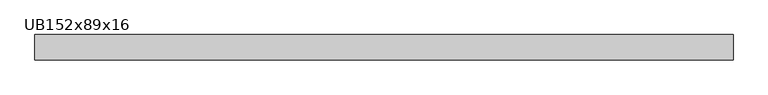
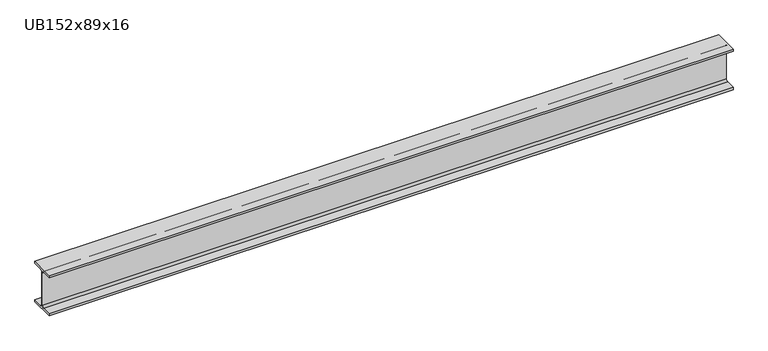
"""IFC4 building model written with IfcOpenShell, lengths in millimetres: beam geometry, UB152x89x16."""

from ifc_helpers import new_model, si_unit, point, frame, frame_2d, origin, place, context, project, spatial, polyline, circle_curve, trimmed, segment, composite_curve, outline, extrude, source, transform, mapped, element, save


def ub152x89x16_ab4c4111(model_context):
    return source(origin(), model_context, "Body", "SweptSolid", [
        extrude(outline(composite_curve([segment(polyline([(44.35, -68.5), (44.35, -76.2), (-44.35, -76.2), (-44.35, -68.5), (-9.85, -68.5)]), True, "CONTINUOUS"), segment(trimmed(circle_curve(frame_2d((-9.85, -60.9)), 7.6), [point((-9.85, -68.5))], [point((-2.25, -60.9))], True, "CARTESIAN"), True, "CONTINUOUS"), segment(polyline([(-2.25, -60.9), (-2.25, 60.9)]), True, "CONTINUOUS"), segment(trimmed(circle_curve(frame_2d((-9.85, 60.9)), 7.6), [point((-2.25, 60.9))], [point((-9.85, 68.5))], True, "CARTESIAN"), True, "CONTINUOUS"), segment(polyline([(-9.85, 68.5), (-44.35, 68.5), (-44.35, 76.2), (44.35, 76.2), (44.35, 68.5), (9.85, 68.5)]), True, "CONTINUOUS"), segment(trimmed(circle_curve(frame_2d((9.85, 60.9)), 7.6), [point((9.85, 68.5))], [point((2.25, 60.9))], True, "CARTESIAN"), True, "CONTINUOUS"), segment(polyline([(2.25, 60.9), (2.25, -60.9)]), True, "CONTINUOUS"), segment(trimmed(circle_curve(frame_2d((9.85, -60.9)), 7.6), [point((2.25, -60.9))], [point((9.85, -68.5))], True, "CARTESIAN"), True, "CONTINUOUS"), segment(polyline([(9.85, -68.5), (44.35, -68.5)]), True, "CONTINUOUS")], self_intersect=False)), frame((-1241.5, 0.0, 0.0), z_axis=(1.0, 0.0, 0.0), x_axis=(0.0, 1.0, 0.0)), (0.0, 0.0, 1.0), 2441.5),
    ])


if __name__ == "__main__":
    model = new_model("IFC4")
    model_context = context("Model", 3, world=origin())
    ifc_project = project(units=[si_unit("LENGTHUNIT", "METRE", prefix="MILLI")], contexts=[model_context])
    site = spatial("IfcSite", under=ifc_project)
    building = spatial("IfcBuilding", under=site)
    placement = place(None, origin())
    ub152x89x16_shape = ub152x89x16_ab4c4111(model_context)
    element("IfcBeam", 1, ObjectType="UB152x89x16", at=placement, inside=building, context=model_context, shape_type="MappedRepresentation", body=[
        mapped(ub152x89x16_shape, transform((0.0, 0.0, 0.0), x_axis=(1.0, 0.0, 0.0), y_axis=(0.0, 1.0, 0.0), z_axis=(0.0, 0.0, 1.0))),
    ])
    save(model, "model.ifc")
